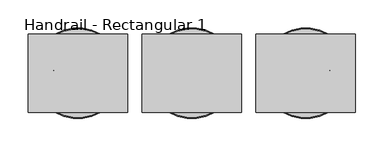
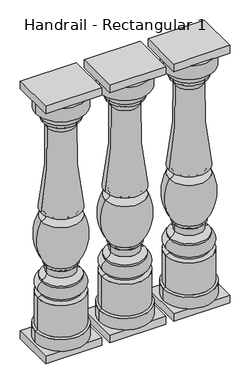
"""IFC4 building model written with IfcOpenShell, lengths in millimetres: railing geometry, Handrail - Rectangular 1."""

from ifc_helpers import new_model, si_unit, point, frame, origin, place, context, project, spatial, polyline, circle_curve, ellipse_curve, trimmed, outline, extrude, source, transform, mapped, element, save
from ifc_brep_helpers import plane_surface, cylinder_surface, revolved_surface, advanced_brep


def handrail_rectangular_1_4ff9a8f9(model_context):
    return source(origin(), model_context, "Body", "SolidModel", [
        advanced_brep(
        [(2920.3566037, 2142.9239298, 939.8), (2840.9816037, 2142.9239298, 939.8), (2999.7316037, 2142.9239298, 939.8), (3001.3191037, 2142.9239298, 127.0), (2839.3941037, 2142.9239298, 127.0), (2920.3566037, 2142.9239298, 127.0), (3001.3191037, 2142.9239298, 165.2785542), (2839.3941037, 2142.9239298, 165.2785542), (2994.1753537, 2142.9239298, 168.275), (2846.5378537, 2142.9239298, 168.275), (2994.1753537, 2142.9239298, 274.7335284), (2846.5378537, 2142.9239298, 274.7335284), (2981.4753537, 2142.9239298, 280.19375), (2859.2378537, 2142.9239298, 280.19375), (2981.4753537, 2142.9239298, 286.54375), (2859.2378537, 2142.9239298, 286.54375), (2981.4753537, 2142.9239298, 324.64375), (2859.2378537, 2142.9239298, 324.64375), (2981.4753537, 2142.9239298, 330.99375), (2859.2378537, 2142.9239298, 330.99375), (2965.7684576, 2142.9239298, 347.276159), (2874.9447498, 2142.9239298, 347.276159), (2965.7684576, 2142.9239298, 368.8906259), (2874.9447498, 2142.9239298, 368.8906259), (2970.3628537, 2142.9239298, 373.85625), (2870.3503537, 2142.9239298, 373.85625), (2970.3628537, 2142.9239298, 381.4842759), (2870.3503537, 2142.9239298, 381.4842759), (2983.0628537, 2142.9239298, 527.84375), (2857.6503537, 2142.9239298, 527.84375), (2983.0628537, 2142.9239298, 556.41875), (2857.6503537, 2142.9239298, 556.41875), (2964.5287519, 2142.9239298, 836.1713606), (2876.1844556, 2142.9239298, 836.1713606), (2977.5066037, 2142.9239298, 858.04375), (2863.2066037, 2142.9239298, 858.04375), (2977.5066037, 2142.9239298, 866.775), (2863.2066037, 2142.9239298, 866.775), (2988.6191037, 2142.9239298, 892.175), (2852.0941037, 2142.9239298, 892.175), (2999.7316037, 2142.9239298, 895.35), (2840.9816037, 2142.9239298, 895.35)],
        [
            (0, 1),
            (1, 2, circle_curve(frame((2920.3566037, 2142.9239298, 939.8), z_axis=(0.0, 0.0, 1.0), x_axis=(-1.0, 0.0, 0.0)), 79.375)),
            (2, 0),
            (2, 1, circle_curve(frame((2920.3566037, 2142.9239298, 939.8), z_axis=(0.0, 0.0, 1.0), x_axis=(-1.0, 0.0, 0.0)), 79.375)),
            (3, 4, circle_curve(frame((2920.3566037, 2142.9239298, 127.0), z_axis=(0.0, 0.0, -1.0), x_axis=(-1.0, 0.0, 0.0)), 80.9625)),
            (4, 5),
            (5, 3),
            (4, 3, circle_curve(frame((2920.3566037, 2142.9239298, 127.0), z_axis=(0.0, 0.0, -1.0), x_axis=(-1.0, 0.0, 0.0)), 80.9625)),
            (6, 7, circle_curve(frame((2920.3566037, 2142.9239298, 165.2785542), z_axis=(0.0, 0.0, -1.0), x_axis=(-1.0, 0.0, 0.0)), 80.9625)),
            (7, 4),
            (3, 6),
            (7, 6, circle_curve(frame((2920.3566037, 2142.9239298, 165.2785542), z_axis=(0.0, 0.0, -1.0), x_axis=(-1.0, 0.0, 0.0)), 80.9625)),
            (8, 9, circle_curve(frame((2920.3566037, 2142.9239298, 168.275), z_axis=(0.0, 0.0, -1.0), x_axis=(-1.0, 0.0, 0.0)), 73.81875)),
            (9, 7),
            (6, 8),
            (9, 8, circle_curve(frame((2920.3566037, 2142.9239298, 168.275), z_axis=(0.0, 0.0, -1.0), x_axis=(-1.0, 0.0, 0.0)), 73.81875)),
            (10, 11, circle_curve(frame((2920.3566037, 2142.9239298, 274.7335284), z_axis=(0.0, 0.0, -1.0), x_axis=(-1.0, 0.0, 0.0)), 73.81875)),
            (11, 9),
            (8, 10),
            (11, 10, circle_curve(frame((2920.3566037, 2142.9239298, 274.7335284), z_axis=(0.0, 0.0, -1.0), x_axis=(-1.0, 0.0, 0.0)), 73.81875)),
            (12, 13, circle_curve(frame((2920.3566037, 2142.9239298, 280.19375), z_axis=(0.0, 0.0, -1.0), x_axis=(-1.0, 0.0, 0.0)), 61.11875)),
            (13, 11),
            (10, 12),
            (13, 12, circle_curve(frame((2920.3566037, 2142.9239298, 280.19375), z_axis=(0.0, 0.0, -1.0), x_axis=(-1.0, 0.0, 0.0)), 61.11875)),
            (14, 15, circle_curve(frame((2920.3566037, 2142.9239298, 286.54375), z_axis=(0.0, 0.0, -1.0), x_axis=(-1.0, 0.0, 0.0)), 61.11875)),
            (15, 13),
            (12, 14),
            (15, 14, circle_curve(frame((2920.3566037, 2142.9239298, 286.54375), z_axis=(0.0, 0.0, -1.0), x_axis=(-1.0, 0.0, 0.0)), 61.11875)),
            (16, 17, circle_curve(frame((2920.3566037, 2142.9239298, 324.64375), z_axis=(0.0, 0.0, -1.0), x_axis=(-1.0, 0.0, 0.0)), 61.11875)),
            (17, 15, circle_curve(frame((2867.5031639, 2142.9239298, 305.59375), z_axis=(0.0, -1.0, 0.0), x_axis=(1.0, 0.0, 0.0)), 20.7657856)),
            (14, 16, circle_curve(frame((2973.2100435, 2142.9239298, 305.59375), z_axis=(0.0, -1.0, 0.0), x_axis=(-1.0, 0.0, 0.0)), 20.7657856)),
            (17, 16, circle_curve(frame((2920.3566037, 2142.9239298, 324.64375), z_axis=(0.0, 0.0, -1.0), x_axis=(-1.0, 0.0, 0.0)), 61.11875)),
            (18, 19, circle_curve(frame((2920.3566037, 2142.9239298, 330.99375), z_axis=(0.0, 0.0, -1.0), x_axis=(-1.0, 0.0, 0.0)), 61.11875)),
            (19, 17),
            (16, 18),
            (19, 18, circle_curve(frame((2920.3566037, 2142.9239298, 330.99375), z_axis=(0.0, 0.0, -1.0), x_axis=(-1.0, 0.0, 0.0)), 61.11875)),
            (20, 21, circle_curve(frame((2920.3566037, 2142.9239298, 347.276159), z_axis=(0.0, 0.0, -1.0), x_axis=(-1.0, 0.0, 0.0)), 45.4118539)),
            (21, 19, circle_curve(frame((2859.7048262, 2142.9239298, 346.26035), z_axis=(0.0, 1.0, 0.0), x_axis=(1.0, 0.0, 0.0)), 15.2737402)),
            (18, 20, circle_curve(frame((2981.0083812, 2142.9239298, 346.26035), z_axis=(0.0, 1.0, 0.0), x_axis=(-1.0, 0.0, 0.0)), 15.2737402)),
            (21, 20, circle_curve(frame((2920.3566037, 2142.9239298, 347.276159), z_axis=(0.0, 0.0, -1.0), x_axis=(-1.0, 0.0, 0.0)), 45.4118539)),
            (22, 23, circle_curve(frame((2920.3566037, 2142.9239298, 368.8906259), z_axis=(0.0, 0.0, -1.0), x_axis=(-1.0, 0.0, 0.0)), 45.4118539)),
            (23, 21),
            (20, 22),
            (23, 22, circle_curve(frame((2920.3566037, 2142.9239298, 368.8906259), z_axis=(0.0, 0.0, -1.0), x_axis=(-1.0, 0.0, 0.0)), 45.4118539)),
            (24, 25, circle_curve(frame((2920.3566037, 2142.9239298, 373.85625), z_axis=(0.0, 0.0, -1.0), x_axis=(-1.0, 0.0, 0.0)), 50.00625)),
            (25, 23, circle_curve(frame((2870.0985073, 2142.9239298, 369.014959), z_axis=(0.0, 1.0, 0.0), x_axis=(1.0, 0.0, 0.0)), 4.8478372)),
            (22, 24, circle_curve(frame((2970.6147002, 2142.9239298, 369.014959), z_axis=(0.0, 1.0, 0.0), x_axis=(-1.0, 0.0, 0.0)), 4.8478372)),
            (25, 24, circle_curve(frame((2920.3566037, 2142.9239298, 373.85625), z_axis=(0.0, 0.0, -1.0), x_axis=(-1.0, 0.0, 0.0)), 50.00625)),
            (26, 27, circle_curve(frame((2920.3566037, 2142.9239298, 381.4842759), z_axis=(0.0, 0.0, -1.0), x_axis=(-1.0, 0.0, 0.0)), 50.00625)),
            (27, 25),
            (24, 26),
            (27, 26, circle_curve(frame((2920.3566037, 2142.9239298, 381.4842759), z_axis=(0.0, 0.0, -1.0), x_axis=(-1.0, 0.0, 0.0)), 50.00625)),
            (28, 29, circle_curve(frame((2920.3566037, 2142.9239298, 527.84375), z_axis=(0.0, 0.0, -1.0), x_axis=(-1.0, 0.0, 0.0)), 62.70625)),
            (29, 27, circle_curve(frame((2987.9873348, 2142.9239298, 465.4226923), z_axis=(0.0, -1.0, 0.0), x_axis=(1.0, 0.0, 0.0)), 144.5133802)),
            (26, 28, circle_curve(frame((2852.7258727, 2142.9239298, 465.4226923), z_axis=(0.0, -1.0, 0.0), x_axis=(-1.0, 0.0, 0.0)), 144.5133802)),
            (29, 28, circle_curve(frame((2920.3566037, 2142.9239298, 527.84375), z_axis=(0.0, 0.0, -1.0), x_axis=(-1.0, 0.0, 0.0)), 62.70625)),
            (30, 31, circle_curve(frame((2920.3566037, 2142.9239298, 556.41875), z_axis=(0.0, 0.0, -1.0), x_axis=(-1.0, 0.0, 0.0)), 62.70625)),
            (31, 29, circle_curve(frame((2858.498477, 2142.9239298, 542.13125), z_axis=(0.0, 1.0, 0.0), x_axis=(1.0, 0.0, 0.0)), 14.3126507)),
            (28, 30, circle_curve(frame((2982.2147304, 2142.9239298, 542.13125), z_axis=(0.0, 1.0, 0.0), x_axis=(-1.0, 0.0, 0.0)), 14.3126507)),
            (31, 30, circle_curve(frame((2920.3566037, 2142.9239298, 556.41875), z_axis=(0.0, 0.0, -1.0), x_axis=(-1.0, 0.0, 0.0)), 62.70625)),
            (32, 33, circle_curve(frame((2920.3566037, 2142.9239298, 836.1713606), z_axis=(0.0, 0.0, -1.0), x_axis=(-1.0, 0.0, 0.0)), 44.1721482)),
            (33, 31, circle_curve(frame((1746.3651051, 2142.9239298, 770.5336134), z_axis=(0.0, 1.0, 0.0), x_axis=(1.0, 0.0, 0.0)), 1131.7243827)),
            (30, 32, circle_curve(frame((4094.3481023, 2142.9239298, 770.5336134), z_axis=(0.0, 1.0, 0.0), x_axis=(-1.0, 0.0, 0.0)), 1131.7243827)),
            (33, 32, circle_curve(frame((2920.3566037, 2142.9239298, 836.1713606), z_axis=(0.0, 0.0, -1.0), x_axis=(-1.0, 0.0, 0.0)), 44.1721482)),
            (34, 35, circle_curve(frame((2920.3566037, 2142.9239298, 858.04375), z_axis=(0.0, 0.0, -1.0), x_axis=(-1.0, 0.0, 0.0)), 57.15)),
            (35, 33, circle_curve(frame((2855.1621509, 2142.9239298, 838.4842616), z_axis=(0.0, 1.0, 0.0), x_axis=(1.0, 0.0, 0.0)), 21.1491562)),
            (32, 34, circle_curve(frame((2985.5510566, 2142.9239298, 838.4842616), z_axis=(0.0, 1.0, 0.0), x_axis=(-1.0, 0.0, 0.0)), 21.1491562)),
            (35, 34, circle_curve(frame((2920.3566037, 2142.9239298, 858.04375), z_axis=(0.0, 0.0, -1.0), x_axis=(-1.0, 0.0, 0.0)), 57.15)),
            (36, 37, circle_curve(frame((2920.3566037, 2142.9239298, 866.775), z_axis=(0.0, 0.0, -1.0), x_axis=(-1.0, 0.0, 0.0)), 57.15)),
            (37, 35),
            (34, 36),
            (37, 36, circle_curve(frame((2920.3566037, 2142.9239298, 866.775), z_axis=(0.0, 0.0, -1.0), x_axis=(-1.0, 0.0, 0.0)), 57.15)),
            (38, 39, circle_curve(frame((2920.3566037, 2142.9239298, 892.175), z_axis=(0.0, 0.0, -1.0), x_axis=(-1.0, 0.0, 0.0)), 68.2625)),
            (39, 37, circle_curve(frame((2881.4317085, 2142.9239298, 889.8793427), z_axis=(0.0, -1.0, 0.0), x_axis=(1.0, 0.0, 0.0)), 29.4272849)),
            (36, 38, circle_curve(frame((2959.2814989, 2142.9239298, 889.8793427), z_axis=(0.0, -1.0, 0.0), x_axis=(-1.0, 0.0, 0.0)), 29.4272849)),
            (39, 38, circle_curve(frame((2920.3566037, 2142.9239298, 892.175), z_axis=(0.0, 0.0, -1.0), x_axis=(-1.0, 0.0, 0.0)), 68.2625)),
            (40, 41, circle_curve(frame((2920.3566037, 2142.9239298, 895.35), z_axis=(0.0, 0.0, -1.0), x_axis=(-1.0, 0.0, 0.0)), 79.375)),
            (41, 39),
            (38, 40),
            (41, 40, circle_curve(frame((2920.3566037, 2142.9239298, 895.35), z_axis=(0.0, 0.0, -1.0), x_axis=(-1.0, 0.0, 0.0)), 79.375)),
            (1, 41),
            (40, 2),
        ],
        [
            plane_surface(frame((2920.3566037, 2142.9239298, 939.8), z_axis=(0.0, 0.0, 1.0), x_axis=(-1.0, 0.0, 0.0))),
            plane_surface(frame((2920.3566037, 2142.9239298, 127.0), z_axis=(0.0, 0.0, -1.0), x_axis=(-1.0, 0.0, 0.0))),
            cylinder_surface(frame((2920.3566037, 2142.9239298, 1009.65), z_axis=(0.0, 0.0, 1.0), x_axis=(-1.0, 0.0, 0.0)), 80.9625),
            revolved_surface(polyline([(2839.3941037, 2142.9239298, 165.2785542), (2846.5378537, 2142.9239298, 168.275)]), (2920.3566037, 2142.9239298, 1009.65), (0.0, 0.0, 1.0)),
            cylinder_surface(frame((2920.3566037, 2142.9239298, 1009.65), z_axis=(0.0, 0.0, 1.0), x_axis=(-1.0, 0.0, 0.0)), 73.81875),
            revolved_surface(polyline([(2846.5378537, 2142.9239298, 274.7335284), (2859.2378537, 2142.9239298, 280.19375)]), (2920.3566037, 2142.9239298, 1009.65), (0.0, 0.0, 1.0)),
            cylinder_surface(frame((2920.3566037, 2142.9239298, 1009.65), z_axis=(0.0, 0.0, 1.0), x_axis=(-1.0, 0.0, 0.0)), 61.11875),
            revolved_surface(trimmed(ellipse_curve(frame((2867.5031639, 2142.9239298, 305.59375), z_axis=(0.0, 1.0, 0.0), x_axis=(1.0, 0.0, 0.0)), 20.7657856, 20.7657856), [point((2859.2378537, 2142.9239298, 286.54375))], [point((2859.2378537, 2142.9239298, 324.64375))], True, "CARTESIAN"), (2920.3566037, 2142.9239298, 1009.65), (0.0, 0.0, 1.0)),
            revolved_surface(trimmed(ellipse_curve(frame((2859.7048262, 2142.9239298, 346.26035), z_axis=(0.0, -1.0, 0.0), x_axis=(1.0, 0.0, 0.0)), 15.2737402, 15.2737402), [point((2859.2378537, 2142.9239298, 330.99375))], [point((2874.9447498, 2142.9239298, 347.276159))], True, "CARTESIAN"), (2920.3566037, 2142.9239298, 1009.65), (0.0, 0.0, 1.0)),
            cylinder_surface(frame((2920.3566037, 2142.9239298, 1009.65), z_axis=(0.0, 0.0, 1.0), x_axis=(-1.0, 0.0, 0.0)), 45.4118539),
            revolved_surface(trimmed(ellipse_curve(frame((2870.0985073, 2142.9239298, 369.014959), z_axis=(0.0, -1.0, 0.0), x_axis=(1.0, 0.0, 0.0)), 4.8478372, 4.8478372), [point((2874.9447498, 2142.9239298, 368.8906259))], [point((2870.3503537, 2142.9239298, 373.85625))], True, "CARTESIAN"), (2920.3566037, 2142.9239298, 1009.65), (0.0, 0.0, 1.0)),
            cylinder_surface(frame((2920.3566037, 2142.9239298, 1009.65), z_axis=(0.0, 0.0, 1.0), x_axis=(-1.0, 0.0, 0.0)), 50.00625),
            revolved_surface(trimmed(ellipse_curve(frame((2987.9873348, 2142.9239298, 465.4226923), z_axis=(0.0, 1.0, 0.0), x_axis=(1.0, 0.0, 0.0)), 144.5133802, 144.5133802), [point((2870.3503537, 2142.9239298, 381.4842759))], [point((2857.6503537, 2142.9239298, 527.84375))], True, "CARTESIAN"), (2920.3566037, 2142.9239298, 1009.65), (0.0, 0.0, 1.0)),
            revolved_surface(trimmed(ellipse_curve(frame((2858.498477, 2142.9239298, 542.13125), z_axis=(0.0, -1.0, 0.0), x_axis=(1.0, 0.0, 0.0)), 14.3126507, 14.3126507), [point((2857.6503537, 2142.9239298, 527.84375))], [point((2857.6503537, 2142.9239298, 556.41875))], True, "CARTESIAN"), (2920.3566037, 2142.9239298, 1009.65), (0.0, 0.0, 1.0)),
            revolved_surface(trimmed(ellipse_curve(frame((1746.3651051, 2142.9239298, 770.5336134), z_axis=(0.0, -1.0, 0.0), x_axis=(1.0, 0.0, 0.0)), 1131.7243827, 1131.7243827), [point((2857.6503537, 2142.9239298, 556.41875))], [point((2876.1844556, 2142.9239298, 836.1713606))], True, "CARTESIAN"), (2920.3566037, 2142.9239298, 1009.65), (0.0, 0.0, 1.0)),
            revolved_surface(trimmed(ellipse_curve(frame((2855.1621509, 2142.9239298, 838.4842616), z_axis=(0.0, -1.0, 0.0), x_axis=(1.0, 0.0, 0.0)), 21.1491562, 21.1491562), [point((2876.1844556, 2142.9239298, 836.1713606))], [point((2863.2066037, 2142.9239298, 858.04375))], True, "CARTESIAN"), (2920.3566037, 2142.9239298, 1009.65), (0.0, 0.0, 1.0)),
            cylinder_surface(frame((2920.3566037, 2142.9239298, 1009.65), z_axis=(0.0, 0.0, 1.0), x_axis=(-1.0, 0.0, 0.0)), 57.15),
            revolved_surface(trimmed(ellipse_curve(frame((2881.4317085, 2142.9239298, 889.8793427), z_axis=(0.0, 1.0, 0.0), x_axis=(1.0, 0.0, 0.0)), 29.4272849, 29.4272849), [point((2863.2066037, 2142.9239298, 866.775))], [point((2852.0941037, 2142.9239298, 892.175))], True, "CARTESIAN"), (2920.3566037, 2142.9239298, 1009.65), (0.0, 0.0, 1.0)),
            revolved_surface(polyline([(2852.0941037, 2142.9239298, 892.175), (2840.9816037, 2142.9239298, 895.35)]), (2920.3566037, 2142.9239298, 1009.65), (0.0, 0.0, 1.0)),
            cylinder_surface(frame((2920.3566037, 2142.9239298, 1009.65), z_axis=(0.0, 0.0, 1.0), x_axis=(-1.0, 0.0, 0.0)), 79.375),
        ],
        [
            (0, [[1, 2, 3]]),
            (0, [[-3, 4, -1]]),
            (1, [[5, 6, 7]]),
            (1, [[8, -7, -6]]),
            (2, [[9, 10, -5, 11]]),
            (2, [[12, -11, -8, -10]]),
            (3, [[13, 14, -9, 15]]),
            (3, [[16, -15, -12, -14]]),
            (4, [[17, 18, -13, 19]]),
            (4, [[20, -19, -16, -18]]),
            (5, [[21, 22, -17, 23]]),
            (5, [[24, -23, -20, -22]]),
            (6, [[25, 26, -21, 27]]),
            (6, [[28, -27, -24, -26]]),
            (7, [[29, 30, -25, 31]]),
            (7, [[32, -31, -28, -30]]),
            (6, [[33, 34, -29, 35]]),
            (6, [[36, -35, -32, -34]]),
            (8, [[37, 38, -33, 39]]),
            (8, [[40, -39, -36, -38]]),
            (9, [[41, 42, -37, 43]]),
            (9, [[44, -43, -40, -42]]),
            (10, [[45, 46, -41, 47]]),
            (10, [[48, -47, -44, -46]]),
            (11, [[49, 50, -45, 51]]),
            (11, [[52, -51, -48, -50]]),
            (12, [[53, 54, -49, 55]]),
            (12, [[56, -55, -52, -54]]),
            (13, [[57, 58, -53, 59]]),
            (13, [[60, -59, -56, -58]]),
            (14, [[61, 62, -57, 63]]),
            (14, [[64, -63, -60, -62]]),
            (15, [[65, 66, -61, 67]]),
            (15, [[68, -67, -64, -66]]),
            (16, [[69, 70, -65, 71]]),
            (16, [[72, -71, -68, -70]]),
            (17, [[73, 74, -69, 75]]),
            (17, [[76, -75, -72, -74]]),
            (18, [[77, 78, -73, 79]]),
            (18, [[80, -79, -76, -78]]),
            (19, [[-2, 81, -77, 82]]),
            (19, [[-4, -82, -80, -81]]),
        ],
    ),
        extrude(outline(polyline([(2831.4566037, 2073.0739298), (2831.4566037, 2212.7739298), (3009.2566037, 2212.7739298), (3009.2566037, 2073.0739298), (2831.4566037, 2073.0739298)])), frame((0.0, 0.0, 101.6), z_axis=(0.0, 0.0, 1.0), x_axis=(1.0, 0.0, 0.0)), (0.0, 0.0, 1.0), 25.4),
        extrude(outline(polyline([(2831.4566037, 2212.7739298), (3009.2566037, 2212.7739298), (3009.2566037, 2073.0739298), (2831.4566037, 2073.0739298), (2831.4566037, 2212.7739298)])), frame((0.0, 0.0, 939.8), z_axis=(0.0, 0.0, 1.0), x_axis=(1.0, 0.0, 0.0)), (0.0, 0.0, 1.0), 25.4),
        advanced_brep(
        [(2717.1566037, 2142.9239298, 939.8), (2637.7816037, 2142.9239298, 939.8), (2796.5316037, 2142.9239298, 939.8), (2798.1191037, 2142.9239298, 127.0), (2636.1941037, 2142.9239298, 127.0), (2717.1566037, 2142.9239298, 127.0), (2798.1191037, 2142.9239298, 165.2785542), (2636.1941037, 2142.9239298, 165.2785542), (2790.9753537, 2142.9239298, 168.275), (2643.3378537, 2142.9239298, 168.275), (2790.9753537, 2142.9239298, 274.7335284), (2643.3378537, 2142.9239298, 274.7335284), (2778.2753537, 2142.9239298, 280.19375), (2656.0378537, 2142.9239298, 280.19375), (2778.2753537, 2142.9239298, 286.54375), (2656.0378537, 2142.9239298, 286.54375), (2778.2753537, 2142.9239298, 324.64375), (2656.0378537, 2142.9239298, 324.64375), (2778.2753537, 2142.9239298, 330.99375), (2656.0378537, 2142.9239298, 330.99375), (2762.5684576, 2142.9239298, 347.276159), (2671.7447498, 2142.9239298, 347.276159), (2762.5684576, 2142.9239298, 368.8906259), (2671.7447498, 2142.9239298, 368.8906259), (2767.1628537, 2142.9239298, 373.85625), (2667.1503537, 2142.9239298, 373.85625), (2767.1628537, 2142.9239298, 381.4842759), (2667.1503537, 2142.9239298, 381.4842759), (2779.8628537, 2142.9239298, 527.84375), (2654.4503537, 2142.9239298, 527.84375), (2779.8628537, 2142.9239298, 556.41875), (2654.4503537, 2142.9239298, 556.41875), (2761.3287519, 2142.9239298, 836.1713606), (2672.9844556, 2142.9239298, 836.1713606), (2774.3066037, 2142.9239298, 858.04375), (2660.0066037, 2142.9239298, 858.04375), (2774.3066037, 2142.9239298, 866.775), (2660.0066037, 2142.9239298, 866.775), (2785.4191037, 2142.9239298, 892.175), (2648.8941037, 2142.9239298, 892.175), (2796.5316037, 2142.9239298, 895.35), (2637.7816037, 2142.9239298, 895.35)],
        [
            (0, 1),
            (1, 2, circle_curve(frame((2717.1566037, 2142.9239298, 939.8), z_axis=(0.0, 0.0, 1.0), x_axis=(-1.0, 0.0, 0.0)), 79.375)),
            (2, 0),
            (2, 1, circle_curve(frame((2717.1566037, 2142.9239298, 939.8), z_axis=(0.0, 0.0, 1.0), x_axis=(-1.0, 0.0, 0.0)), 79.375)),
            (3, 4, circle_curve(frame((2717.1566037, 2142.9239298, 127.0), z_axis=(0.0, 0.0, -1.0), x_axis=(-1.0, 0.0, 0.0)), 80.9625)),
            (4, 5),
            (5, 3),
            (4, 3, circle_curve(frame((2717.1566037, 2142.9239298, 127.0), z_axis=(0.0, 0.0, -1.0), x_axis=(-1.0, 0.0, 0.0)), 80.9625)),
            (6, 7, circle_curve(frame((2717.1566037, 2142.9239298, 165.2785542), z_axis=(0.0, 0.0, -1.0), x_axis=(-1.0, 0.0, 0.0)), 80.9625)),
            (7, 4),
            (3, 6),
            (7, 6, circle_curve(frame((2717.1566037, 2142.9239298, 165.2785542), z_axis=(0.0, 0.0, -1.0), x_axis=(-1.0, 0.0, 0.0)), 80.9625)),
            (8, 9, circle_curve(frame((2717.1566037, 2142.9239298, 168.275), z_axis=(0.0, 0.0, -1.0), x_axis=(-1.0, 0.0, 0.0)), 73.81875)),
            (9, 7),
            (6, 8),
            (9, 8, circle_curve(frame((2717.1566037, 2142.9239298, 168.275), z_axis=(0.0, 0.0, -1.0), x_axis=(-1.0, 0.0, 0.0)), 73.81875)),
            (10, 11, circle_curve(frame((2717.1566037, 2142.9239298, 274.7335284), z_axis=(0.0, 0.0, -1.0), x_axis=(-1.0, 0.0, 0.0)), 73.81875)),
            (11, 9),
            (8, 10),
            (11, 10, circle_curve(frame((2717.1566037, 2142.9239298, 274.7335284), z_axis=(0.0, 0.0, -1.0), x_axis=(-1.0, 0.0, 0.0)), 73.81875)),
            (12, 13, circle_curve(frame((2717.1566037, 2142.9239298, 280.19375), z_axis=(0.0, 0.0, -1.0), x_axis=(-1.0, 0.0, 0.0)), 61.11875)),
            (13, 11),
            (10, 12),
            (13, 12, circle_curve(frame((2717.1566037, 2142.9239298, 280.19375), z_axis=(0.0, 0.0, -1.0), x_axis=(-1.0, 0.0, 0.0)), 61.11875)),
            (14, 15, circle_curve(frame((2717.1566037, 2142.9239298, 286.54375), z_axis=(0.0, 0.0, -1.0), x_axis=(-1.0, 0.0, 0.0)), 61.11875)),
            (15, 13),
            (12, 14),
            (15, 14, circle_curve(frame((2717.1566037, 2142.9239298, 286.54375), z_axis=(0.0, 0.0, -1.0), x_axis=(-1.0, 0.0, 0.0)), 61.11875)),
            (16, 17, circle_curve(frame((2717.1566037, 2142.9239298, 324.64375), z_axis=(0.0, 0.0, -1.0), x_axis=(-1.0, 0.0, 0.0)), 61.11875)),
            (17, 15, circle_curve(frame((2664.3031639, 2142.9239298, 305.59375), z_axis=(0.0, -1.0, 0.0), x_axis=(1.0, 0.0, 0.0)), 20.7657856)),
            (14, 16, circle_curve(frame((2770.0100435, 2142.9239298, 305.59375), z_axis=(0.0, -1.0, 0.0), x_axis=(-1.0, 0.0, 0.0)), 20.7657856)),
            (17, 16, circle_curve(frame((2717.1566037, 2142.9239298, 324.64375), z_axis=(0.0, 0.0, -1.0), x_axis=(-1.0, 0.0, 0.0)), 61.11875)),
            (18, 19, circle_curve(frame((2717.1566037, 2142.9239298, 330.99375), z_axis=(0.0, 0.0, -1.0), x_axis=(-1.0, 0.0, 0.0)), 61.11875)),
            (19, 17),
            (16, 18),
            (19, 18, circle_curve(frame((2717.1566037, 2142.9239298, 330.99375), z_axis=(0.0, 0.0, -1.0), x_axis=(-1.0, 0.0, 0.0)), 61.11875)),
            (20, 21, circle_curve(frame((2717.1566037, 2142.9239298, 347.276159), z_axis=(0.0, 0.0, -1.0), x_axis=(-1.0, 0.0, 0.0)), 45.4118539)),
            (21, 19, circle_curve(frame((2656.5048262, 2142.9239298, 346.26035), z_axis=(0.0, 1.0, 0.0), x_axis=(1.0, 0.0, 0.0)), 15.2737402)),
            (18, 20, circle_curve(frame((2777.8083812, 2142.9239298, 346.26035), z_axis=(0.0, 1.0, 0.0), x_axis=(-1.0, 0.0, 0.0)), 15.2737402)),
            (21, 20, circle_curve(frame((2717.1566037, 2142.9239298, 347.276159), z_axis=(0.0, 0.0, -1.0), x_axis=(-1.0, 0.0, 0.0)), 45.4118539)),
            (22, 23, circle_curve(frame((2717.1566037, 2142.9239298, 368.8906259), z_axis=(0.0, 0.0, -1.0), x_axis=(-1.0, 0.0, 0.0)), 45.4118539)),
            (23, 21),
            (20, 22),
            (23, 22, circle_curve(frame((2717.1566037, 2142.9239298, 368.8906259), z_axis=(0.0, 0.0, -1.0), x_axis=(-1.0, 0.0, 0.0)), 45.4118539)),
            (24, 25, circle_curve(frame((2717.1566037, 2142.9239298, 373.85625), z_axis=(0.0, 0.0, -1.0), x_axis=(-1.0, 0.0, 0.0)), 50.00625)),
            (25, 23, circle_curve(frame((2666.8985073, 2142.9239298, 369.014959), z_axis=(0.0, 1.0, 0.0), x_axis=(1.0, 0.0, 0.0)), 4.8478372)),
            (22, 24, circle_curve(frame((2767.4147002, 2142.9239298, 369.014959), z_axis=(0.0, 1.0, 0.0), x_axis=(-1.0, 0.0, 0.0)), 4.8478372)),
            (25, 24, circle_curve(frame((2717.1566037, 2142.9239298, 373.85625), z_axis=(0.0, 0.0, -1.0), x_axis=(-1.0, 0.0, 0.0)), 50.00625)),
            (26, 27, circle_curve(frame((2717.1566037, 2142.9239298, 381.4842759), z_axis=(0.0, 0.0, -1.0), x_axis=(-1.0, 0.0, 0.0)), 50.00625)),
            (27, 25),
            (24, 26),
            (27, 26, circle_curve(frame((2717.1566037, 2142.9239298, 381.4842759), z_axis=(0.0, 0.0, -1.0), x_axis=(-1.0, 0.0, 0.0)), 50.00625)),
            (28, 29, circle_curve(frame((2717.1566037, 2142.9239298, 527.84375), z_axis=(0.0, 0.0, -1.0), x_axis=(-1.0, 0.0, 0.0)), 62.70625)),
            (29, 27, circle_curve(frame((2784.7873348, 2142.9239298, 465.4226923), z_axis=(0.0, -1.0, 0.0), x_axis=(1.0, 0.0, 0.0)), 144.5133802)),
            (26, 28, circle_curve(frame((2649.5258727, 2142.9239298, 465.4226923), z_axis=(0.0, -1.0, 0.0), x_axis=(-1.0, 0.0, 0.0)), 144.5133802)),
            (29, 28, circle_curve(frame((2717.1566037, 2142.9239298, 527.84375), z_axis=(0.0, 0.0, -1.0), x_axis=(-1.0, 0.0, 0.0)), 62.70625)),
            (30, 31, circle_curve(frame((2717.1566037, 2142.9239298, 556.41875), z_axis=(0.0, 0.0, -1.0), x_axis=(-1.0, 0.0, 0.0)), 62.70625)),
            (31, 29, circle_curve(frame((2655.298477, 2142.9239298, 542.13125), z_axis=(0.0, 1.0, 0.0), x_axis=(1.0, 0.0, 0.0)), 14.3126507)),
            (28, 30, circle_curve(frame((2779.0147304, 2142.9239298, 542.13125), z_axis=(0.0, 1.0, 0.0), x_axis=(-1.0, 0.0, 0.0)), 14.3126507)),
            (31, 30, circle_curve(frame((2717.1566037, 2142.9239298, 556.41875), z_axis=(0.0, 0.0, -1.0), x_axis=(-1.0, 0.0, 0.0)), 62.70625)),
            (32, 33, circle_curve(frame((2717.1566037, 2142.9239298, 836.1713606), z_axis=(0.0, 0.0, -1.0), x_axis=(-1.0, 0.0, 0.0)), 44.1721482)),
            (33, 31, circle_curve(frame((1543.1651051, 2142.9239298, 770.5336134), z_axis=(0.0, 1.0, 0.0), x_axis=(1.0, 0.0, 0.0)), 1131.7243827)),
            (30, 32, circle_curve(frame((3891.1481023, 2142.9239298, 770.5336134), z_axis=(0.0, 1.0, 0.0), x_axis=(-1.0, 0.0, 0.0)), 1131.7243827)),
            (33, 32, circle_curve(frame((2717.1566037, 2142.9239298, 836.1713606), z_axis=(0.0, 0.0, -1.0), x_axis=(-1.0, 0.0, 0.0)), 44.1721482)),
            (34, 35, circle_curve(frame((2717.1566037, 2142.9239298, 858.04375), z_axis=(0.0, 0.0, -1.0), x_axis=(-1.0, 0.0, 0.0)), 57.15)),
            (35, 33, circle_curve(frame((2651.9621509, 2142.9239298, 838.4842616), z_axis=(0.0, 1.0, 0.0), x_axis=(1.0, 0.0, 0.0)), 21.1491562)),
            (32, 34, circle_curve(frame((2782.3510566, 2142.9239298, 838.4842616), z_axis=(0.0, 1.0, 0.0), x_axis=(-1.0, 0.0, 0.0)), 21.1491562)),
            (35, 34, circle_curve(frame((2717.1566037, 2142.9239298, 858.04375), z_axis=(0.0, 0.0, -1.0), x_axis=(-1.0, 0.0, 0.0)), 57.15)),
            (36, 37, circle_curve(frame((2717.1566037, 2142.9239298, 866.775), z_axis=(0.0, 0.0, -1.0), x_axis=(-1.0, 0.0, 0.0)), 57.15)),
            (37, 35),
            (34, 36),
            (37, 36, circle_curve(frame((2717.1566037, 2142.9239298, 866.775), z_axis=(0.0, 0.0, -1.0), x_axis=(-1.0, 0.0, 0.0)), 57.15)),
            (38, 39, circle_curve(frame((2717.1566037, 2142.9239298, 892.175), z_axis=(0.0, 0.0, -1.0), x_axis=(-1.0, 0.0, 0.0)), 68.2625)),
            (39, 37, circle_curve(frame((2678.2317085, 2142.9239298, 889.8793427), z_axis=(0.0, -1.0, 0.0), x_axis=(1.0, 0.0, 0.0)), 29.4272849)),
            (36, 38, circle_curve(frame((2756.0814989, 2142.9239298, 889.8793427), z_axis=(0.0, -1.0, 0.0), x_axis=(-1.0, 0.0, 0.0)), 29.4272849)),
            (39, 38, circle_curve(frame((2717.1566037, 2142.9239298, 892.175), z_axis=(0.0, 0.0, -1.0), x_axis=(-1.0, 0.0, 0.0)), 68.2625)),
            (40, 41, circle_curve(frame((2717.1566037, 2142.9239298, 895.35), z_axis=(0.0, 0.0, -1.0), x_axis=(-1.0, 0.0, 0.0)), 79.375)),
            (41, 39),
            (38, 40),
            (41, 40, circle_curve(frame((2717.1566037, 2142.9239298, 895.35), z_axis=(0.0, 0.0, -1.0), x_axis=(-1.0, 0.0, 0.0)), 79.375)),
            (1, 41),
            (40, 2),
        ],
        [
            plane_surface(frame((2717.1566037, 2142.9239298, 939.8), z_axis=(0.0, 0.0, 1.0), x_axis=(-1.0, 0.0, 0.0))),
            plane_surface(frame((2717.1566037, 2142.9239298, 127.0), z_axis=(0.0, 0.0, -1.0), x_axis=(-1.0, 0.0, 0.0))),
            cylinder_surface(frame((2717.1566037, 2142.9239298, 1009.65), z_axis=(0.0, 0.0, 1.0), x_axis=(-1.0, 0.0, 0.0)), 80.9625),
            revolved_surface(polyline([(2636.1941037, 2142.9239298, 165.2785542), (2643.3378537, 2142.9239298, 168.275)]), (2717.1566037, 2142.9239298, 1009.65), (0.0, 0.0, 1.0)),
            cylinder_surface(frame((2717.1566037, 2142.9239298, 1009.65), z_axis=(0.0, 0.0, 1.0), x_axis=(-1.0, 0.0, 0.0)), 73.81875),
            revolved_surface(polyline([(2643.3378537, 2142.9239298, 274.7335284), (2656.0378537, 2142.9239298, 280.19375)]), (2717.1566037, 2142.9239298, 1009.65), (0.0, 0.0, 1.0)),
            cylinder_surface(frame((2717.1566037, 2142.9239298, 1009.65), z_axis=(0.0, 0.0, 1.0), x_axis=(-1.0, 0.0, 0.0)), 61.11875),
            revolved_surface(trimmed(ellipse_curve(frame((2664.3031639, 2142.9239298, 305.59375), z_axis=(0.0, 1.0, 0.0), x_axis=(1.0, 0.0, 0.0)), 20.7657856, 20.7657856), [point((2656.0378537, 2142.9239298, 286.54375))], [point((2656.0378537, 2142.9239298, 324.64375))], True, "CARTESIAN"), (2717.1566037, 2142.9239298, 1009.65), (0.0, 0.0, 1.0)),
            revolved_surface(trimmed(ellipse_curve(frame((2656.5048262, 2142.9239298, 346.26035), z_axis=(0.0, -1.0, 0.0), x_axis=(1.0, 0.0, 0.0)), 15.2737402, 15.2737402), [point((2656.0378537, 2142.9239298, 330.99375))], [point((2671.7447498, 2142.9239298, 347.276159))], True, "CARTESIAN"), (2717.1566037, 2142.9239298, 1009.65), (0.0, 0.0, 1.0)),
            cylinder_surface(frame((2717.1566037, 2142.9239298, 1009.65), z_axis=(0.0, 0.0, 1.0), x_axis=(-1.0, 0.0, 0.0)), 45.4118539),
            revolved_surface(trimmed(ellipse_curve(frame((2666.8985073, 2142.9239298, 369.014959), z_axis=(0.0, -1.0, 0.0), x_axis=(1.0, 0.0, 0.0)), 4.8478372, 4.8478372), [point((2671.7447498, 2142.9239298, 368.8906259))], [point((2667.1503537, 2142.9239298, 373.85625))], True, "CARTESIAN"), (2717.1566037, 2142.9239298, 1009.65), (0.0, 0.0, 1.0)),
            cylinder_surface(frame((2717.1566037, 2142.9239298, 1009.65), z_axis=(0.0, 0.0, 1.0), x_axis=(-1.0, 0.0, 0.0)), 50.00625),
            revolved_surface(trimmed(ellipse_curve(frame((2784.7873348, 2142.9239298, 465.4226923), z_axis=(0.0, 1.0, 0.0), x_axis=(1.0, 0.0, 0.0)), 144.5133802, 144.5133802), [point((2667.1503537, 2142.9239298, 381.4842759))], [point((2654.4503537, 2142.9239298, 527.84375))], True, "CARTESIAN"), (2717.1566037, 2142.9239298, 1009.65), (0.0, 0.0, 1.0)),
            revolved_surface(trimmed(ellipse_curve(frame((2655.298477, 2142.9239298, 542.13125), z_axis=(0.0, -1.0, 0.0), x_axis=(1.0, 0.0, 0.0)), 14.3126507, 14.3126507), [point((2654.4503537, 2142.9239298, 527.84375))], [point((2654.4503537, 2142.9239298, 556.41875))], True, "CARTESIAN"), (2717.1566037, 2142.9239298, 1009.65), (0.0, 0.0, 1.0)),
            revolved_surface(trimmed(ellipse_curve(frame((1543.1651051, 2142.9239298, 770.5336134), z_axis=(0.0, -1.0, 0.0), x_axis=(1.0, 0.0, 0.0)), 1131.7243827, 1131.7243827), [point((2654.4503537, 2142.9239298, 556.41875))], [point((2672.9844556, 2142.9239298, 836.1713606))], True, "CARTESIAN"), (2717.1566037, 2142.9239298, 1009.65), (0.0, 0.0, 1.0)),
            revolved_surface(trimmed(ellipse_curve(frame((2651.9621509, 2142.9239298, 838.4842616), z_axis=(0.0, -1.0, 0.0), x_axis=(1.0, 0.0, 0.0)), 21.1491562, 21.1491562), [point((2672.9844556, 2142.9239298, 836.1713606))], [point((2660.0066037, 2142.9239298, 858.04375))], True, "CARTESIAN"), (2717.1566037, 2142.9239298, 1009.65), (0.0, 0.0, 1.0)),
            cylinder_surface(frame((2717.1566037, 2142.9239298, 1009.65), z_axis=(0.0, 0.0, 1.0), x_axis=(-1.0, 0.0, 0.0)), 57.15),
            revolved_surface(trimmed(ellipse_curve(frame((2678.2317085, 2142.9239298, 889.8793427), z_axis=(0.0, 1.0, 0.0), x_axis=(1.0, 0.0, 0.0)), 29.4272849, 29.4272849), [point((2660.0066037, 2142.9239298, 866.775))], [point((2648.8941037, 2142.9239298, 892.175))], True, "CARTESIAN"), (2717.1566037, 2142.9239298, 1009.65), (0.0, 0.0, 1.0)),
            revolved_surface(polyline([(2648.8941037, 2142.9239298, 892.175), (2637.7816037, 2142.9239298, 895.35)]), (2717.1566037, 2142.9239298, 1009.65), (0.0, 0.0, 1.0)),
            cylinder_surface(frame((2717.1566037, 2142.9239298, 1009.65), z_axis=(0.0, 0.0, 1.0), x_axis=(-1.0, 0.0, 0.0)), 79.375),
        ],
        [
            (0, [[1, 2, 3]]),
            (0, [[-3, 4, -1]]),
            (1, [[5, 6, 7]]),
            (1, [[8, -7, -6]]),
            (2, [[9, 10, -5, 11]]),
            (2, [[12, -11, -8, -10]]),
            (3, [[13, 14, -9, 15]]),
            (3, [[16, -15, -12, -14]]),
            (4, [[17, 18, -13, 19]]),
            (4, [[20, -19, -16, -18]]),
            (5, [[21, 22, -17, 23]]),
            (5, [[24, -23, -20, -22]]),
            (6, [[25, 26, -21, 27]]),
            (6, [[28, -27, -24, -26]]),
            (7, [[29, 30, -25, 31]]),
            (7, [[32, -31, -28, -30]]),
            (6, [[33, 34, -29, 35]]),
            (6, [[36, -35, -32, -34]]),
            (8, [[37, 38, -33, 39]]),
            (8, [[40, -39, -36, -38]]),
            (9, [[41, 42, -37, 43]]),
            (9, [[44, -43, -40, -42]]),
            (10, [[45, 46, -41, 47]]),
            (10, [[48, -47, -44, -46]]),
            (11, [[49, 50, -45, 51]]),
            (11, [[52, -51, -48, -50]]),
            (12, [[53, 54, -49, 55]]),
            (12, [[56, -55, -52, -54]]),
            (13, [[57, 58, -53, 59]]),
            (13, [[60, -59, -56, -58]]),
            (14, [[61, 62, -57, 63]]),
            (14, [[64, -63, -60, -62]]),
            (15, [[65, 66, -61, 67]]),
            (15, [[68, -67, -64, -66]]),
            (16, [[69, 70, -65, 71]]),
            (16, [[72, -71, -68, -70]]),
            (17, [[73, 74, -69, 75]]),
            (17, [[76, -75, -72, -74]]),
            (18, [[77, 78, -73, 79]]),
            (18, [[80, -79, -76, -78]]),
            (19, [[-2, 81, -77, 82]]),
            (19, [[-4, -82, -80, -81]]),
        ],
    ),
        extrude(outline(polyline([(2628.2566037, 2073.0739298), (2628.2566037, 2212.7739298), (2806.0566037, 2212.7739298), (2806.0566037, 2073.0739298), (2628.2566037, 2073.0739298)])), frame((0.0, 0.0, 101.6), z_axis=(0.0, 0.0, 1.0), x_axis=(1.0, 0.0, 0.0)), (0.0, 0.0, 1.0), 25.4),
        extrude(outline(polyline([(2628.2566037, 2212.7739298), (2806.0566037, 2212.7739298), (2806.0566037, 2073.0739298), (2628.2566037, 2073.0739298), (2628.2566037, 2212.7739298)])), frame((0.0, 0.0, 939.8), z_axis=(0.0, 0.0, 1.0), x_axis=(1.0, 0.0, 0.0)), (0.0, 0.0, 1.0), 25.4),
        advanced_brep(
        [(2513.9566037, 2142.9239298, 939.8), (2434.5816037, 2142.9239298, 939.8), (2593.3316037, 2142.9239298, 939.8), (2594.9191037, 2142.9239298, 127.0), (2432.9941037, 2142.9239298, 127.0), (2513.9566037, 2142.9239298, 127.0), (2594.9191037, 2142.9239298, 165.2785542), (2432.9941037, 2142.9239298, 165.2785542), (2587.7753537, 2142.9239298, 168.275), (2440.1378537, 2142.9239298, 168.275), (2587.7753537, 2142.9239298, 274.7335284), (2440.1378537, 2142.9239298, 274.7335284), (2575.0753537, 2142.9239298, 280.19375), (2452.8378537, 2142.9239298, 280.19375), (2575.0753537, 2142.9239298, 286.54375), (2452.8378537, 2142.9239298, 286.54375), (2575.0753537, 2142.9239298, 324.64375), (2452.8378537, 2142.9239298, 324.64375), (2575.0753537, 2142.9239298, 330.99375), (2452.8378537, 2142.9239298, 330.99375), (2559.3684576, 2142.9239298, 347.276159), (2468.5447498, 2142.9239298, 347.276159), (2559.3684576, 2142.9239298, 368.8906259), (2468.5447498, 2142.9239298, 368.8906259), (2563.9628537, 2142.9239298, 373.85625), (2463.9503537, 2142.9239298, 373.85625), (2563.9628537, 2142.9239298, 381.4842759), (2463.9503537, 2142.9239298, 381.4842759), (2576.6628537, 2142.9239298, 527.84375), (2451.2503537, 2142.9239298, 527.84375), (2576.6628537, 2142.9239298, 556.41875), (2451.2503537, 2142.9239298, 556.41875), (2558.1287519, 2142.9239298, 836.1713606), (2469.7844556, 2142.9239298, 836.1713606), (2571.1066037, 2142.9239298, 858.04375), (2456.8066037, 2142.9239298, 858.04375), (2571.1066037, 2142.9239298, 866.775), (2456.8066037, 2142.9239298, 866.775), (2582.2191037, 2142.9239298, 892.175), (2445.6941037, 2142.9239298, 892.175), (2593.3316037, 2142.9239298, 895.35), (2434.5816037, 2142.9239298, 895.35)],
        [
            (0, 1),
            (1, 2, circle_curve(frame((2513.9566037, 2142.9239298, 939.8), z_axis=(0.0, 0.0, 1.0), x_axis=(-1.0, 0.0, 0.0)), 79.375)),
            (2, 0),
            (2, 1, circle_curve(frame((2513.9566037, 2142.9239298, 939.8), z_axis=(0.0, 0.0, 1.0), x_axis=(-1.0, 0.0, 0.0)), 79.375)),
            (3, 4, circle_curve(frame((2513.9566037, 2142.9239298, 127.0), z_axis=(0.0, 0.0, -1.0), x_axis=(-1.0, 0.0, 0.0)), 80.9625)),
            (4, 5),
            (5, 3),
            (4, 3, circle_curve(frame((2513.9566037, 2142.9239298, 127.0), z_axis=(0.0, 0.0, -1.0), x_axis=(-1.0, 0.0, 0.0)), 80.9625)),
            (6, 7, circle_curve(frame((2513.9566037, 2142.9239298, 165.2785542), z_axis=(0.0, 0.0, -1.0), x_axis=(-1.0, 0.0, 0.0)), 80.9625)),
            (7, 4),
            (3, 6),
            (7, 6, circle_curve(frame((2513.9566037, 2142.9239298, 165.2785542), z_axis=(0.0, 0.0, -1.0), x_axis=(-1.0, 0.0, 0.0)), 80.9625)),
            (8, 9, circle_curve(frame((2513.9566037, 2142.9239298, 168.275), z_axis=(0.0, 0.0, -1.0), x_axis=(-1.0, 0.0, 0.0)), 73.81875)),
            (9, 7),
            (6, 8),
            (9, 8, circle_curve(frame((2513.9566037, 2142.9239298, 168.275), z_axis=(0.0, 0.0, -1.0), x_axis=(-1.0, 0.0, 0.0)), 73.81875)),
            (10, 11, circle_curve(frame((2513.9566037, 2142.9239298, 274.7335284), z_axis=(0.0, 0.0, -1.0), x_axis=(-1.0, 0.0, 0.0)), 73.81875)),
            (11, 9),
            (8, 10),
            (11, 10, circle_curve(frame((2513.9566037, 2142.9239298, 274.7335284), z_axis=(0.0, 0.0, -1.0), x_axis=(-1.0, 0.0, 0.0)), 73.81875)),
            (12, 13, circle_curve(frame((2513.9566037, 2142.9239298, 280.19375), z_axis=(0.0, 0.0, -1.0), x_axis=(-1.0, 0.0, 0.0)), 61.11875)),
            (13, 11),
            (10, 12),
            (13, 12, circle_curve(frame((2513.9566037, 2142.9239298, 280.19375), z_axis=(0.0, 0.0, -1.0), x_axis=(-1.0, 0.0, 0.0)), 61.11875)),
            (14, 15, circle_curve(frame((2513.9566037, 2142.9239298, 286.54375), z_axis=(0.0, 0.0, -1.0), x_axis=(-1.0, 0.0, 0.0)), 61.11875)),
            (15, 13),
            (12, 14),
            (15, 14, circle_curve(frame((2513.9566037, 2142.9239298, 286.54375), z_axis=(0.0, 0.0, -1.0), x_axis=(-1.0, 0.0, 0.0)), 61.11875)),
            (16, 17, circle_curve(frame((2513.9566037, 2142.9239298, 324.64375), z_axis=(0.0, 0.0, -1.0), x_axis=(-1.0, 0.0, 0.0)), 61.11875)),
            (17, 15, circle_curve(frame((2461.1031639, 2142.9239298, 305.59375), z_axis=(0.0, -1.0, 0.0), x_axis=(1.0, 0.0, 0.0)), 20.7657856)),
            (14, 16, circle_curve(frame((2566.8100435, 2142.9239298, 305.59375), z_axis=(0.0, -1.0, 0.0), x_axis=(-1.0, 0.0, 0.0)), 20.7657856)),
            (17, 16, circle_curve(frame((2513.9566037, 2142.9239298, 324.64375), z_axis=(0.0, 0.0, -1.0), x_axis=(-1.0, 0.0, 0.0)), 61.11875)),
            (18, 19, circle_curve(frame((2513.9566037, 2142.9239298, 330.99375), z_axis=(0.0, 0.0, -1.0), x_axis=(-1.0, 0.0, 0.0)), 61.11875)),
            (19, 17),
            (16, 18),
            (19, 18, circle_curve(frame((2513.9566037, 2142.9239298, 330.99375), z_axis=(0.0, 0.0, -1.0), x_axis=(-1.0, 0.0, 0.0)), 61.11875)),
            (20, 21, circle_curve(frame((2513.9566037, 2142.9239298, 347.276159), z_axis=(0.0, 0.0, -1.0), x_axis=(-1.0, 0.0, 0.0)), 45.4118539)),
            (21, 19, circle_curve(frame((2453.3048262, 2142.9239298, 346.26035), z_axis=(0.0, 1.0, 0.0), x_axis=(1.0, 0.0, 0.0)), 15.2737402)),
            (18, 20, circle_curve(frame((2574.6083812, 2142.9239298, 346.26035), z_axis=(0.0, 1.0, 0.0), x_axis=(-1.0, 0.0, 0.0)), 15.2737402)),
            (21, 20, circle_curve(frame((2513.9566037, 2142.9239298, 347.276159), z_axis=(0.0, 0.0, -1.0), x_axis=(-1.0, 0.0, 0.0)), 45.4118539)),
            (22, 23, circle_curve(frame((2513.9566037, 2142.9239298, 368.8906259), z_axis=(0.0, 0.0, -1.0), x_axis=(-1.0, 0.0, 0.0)), 45.4118539)),
            (23, 21),
            (20, 22),
            (23, 22, circle_curve(frame((2513.9566037, 2142.9239298, 368.8906259), z_axis=(0.0, 0.0, -1.0), x_axis=(-1.0, 0.0, 0.0)), 45.4118539)),
            (24, 25, circle_curve(frame((2513.9566037, 2142.9239298, 373.85625), z_axis=(0.0, 0.0, -1.0), x_axis=(-1.0, 0.0, 0.0)), 50.00625)),
            (25, 23, circle_curve(frame((2463.6985073, 2142.9239298, 369.014959), z_axis=(0.0, 1.0, 0.0), x_axis=(1.0, 0.0, 0.0)), 4.8478372)),
            (22, 24, circle_curve(frame((2564.2147002, 2142.9239298, 369.014959), z_axis=(0.0, 1.0, 0.0), x_axis=(-1.0, 0.0, 0.0)), 4.8478372)),
            (25, 24, circle_curve(frame((2513.9566037, 2142.9239298, 373.85625), z_axis=(0.0, 0.0, -1.0), x_axis=(-1.0, 0.0, 0.0)), 50.00625)),
            (26, 27, circle_curve(frame((2513.9566037, 2142.9239298, 381.4842759), z_axis=(0.0, 0.0, -1.0), x_axis=(-1.0, 0.0, 0.0)), 50.00625)),
            (27, 25),
            (24, 26),
            (27, 26, circle_curve(frame((2513.9566037, 2142.9239298, 381.4842759), z_axis=(0.0, 0.0, -1.0), x_axis=(-1.0, 0.0, 0.0)), 50.00625)),
            (28, 29, circle_curve(frame((2513.9566037, 2142.9239298, 527.84375), z_axis=(0.0, 0.0, -1.0), x_axis=(-1.0, 0.0, 0.0)), 62.70625)),
            (29, 27, circle_curve(frame((2581.5873348, 2142.9239298, 465.4226923), z_axis=(0.0, -1.0, 0.0), x_axis=(1.0, 0.0, 0.0)), 144.5133802)),
            (26, 28, circle_curve(frame((2446.3258727, 2142.9239298, 465.4226923), z_axis=(0.0, -1.0, 0.0), x_axis=(-1.0, 0.0, 0.0)), 144.5133802)),
            (29, 28, circle_curve(frame((2513.9566037, 2142.9239298, 527.84375), z_axis=(0.0, 0.0, -1.0), x_axis=(-1.0, 0.0, 0.0)), 62.70625)),
            (30, 31, circle_curve(frame((2513.9566037, 2142.9239298, 556.41875), z_axis=(0.0, 0.0, -1.0), x_axis=(-1.0, 0.0, 0.0)), 62.70625)),
            (31, 29, circle_curve(frame((2452.098477, 2142.9239298, 542.13125), z_axis=(0.0, 1.0, 0.0), x_axis=(1.0, 0.0, 0.0)), 14.3126507)),
            (28, 30, circle_curve(frame((2575.8147304, 2142.9239298, 542.13125), z_axis=(0.0, 1.0, 0.0), x_axis=(-1.0, 0.0, 0.0)), 14.3126507)),
            (31, 30, circle_curve(frame((2513.9566037, 2142.9239298, 556.41875), z_axis=(0.0, 0.0, -1.0), x_axis=(-1.0, 0.0, 0.0)), 62.70625)),
            (32, 33, circle_curve(frame((2513.9566037, 2142.9239298, 836.1713606), z_axis=(0.0, 0.0, -1.0), x_axis=(-1.0, 0.0, 0.0)), 44.1721482)),
            (33, 31, circle_curve(frame((1339.9651051, 2142.9239298, 770.5336134), z_axis=(0.0, 1.0, 0.0), x_axis=(1.0, 0.0, 0.0)), 1131.7243827)),
            (30, 32, circle_curve(frame((3687.9481023, 2142.9239298, 770.5336134), z_axis=(0.0, 1.0, 0.0), x_axis=(-1.0, 0.0, 0.0)), 1131.7243827)),
            (33, 32, circle_curve(frame((2513.9566037, 2142.9239298, 836.1713606), z_axis=(0.0, 0.0, -1.0), x_axis=(-1.0, 0.0, 0.0)), 44.1721482)),
            (34, 35, circle_curve(frame((2513.9566037, 2142.9239298, 858.04375), z_axis=(0.0, 0.0, -1.0), x_axis=(-1.0, 0.0, 0.0)), 57.15)),
            (35, 33, circle_curve(frame((2448.7621509, 2142.9239298, 838.4842616), z_axis=(0.0, 1.0, 0.0), x_axis=(1.0, 0.0, 0.0)), 21.1491562)),
            (32, 34, circle_curve(frame((2579.1510566, 2142.9239298, 838.4842616), z_axis=(0.0, 1.0, 0.0), x_axis=(-1.0, 0.0, 0.0)), 21.1491562)),
            (35, 34, circle_curve(frame((2513.9566037, 2142.9239298, 858.04375), z_axis=(0.0, 0.0, -1.0), x_axis=(-1.0, 0.0, 0.0)), 57.15)),
            (36, 37, circle_curve(frame((2513.9566037, 2142.9239298, 866.775), z_axis=(0.0, 0.0, -1.0), x_axis=(-1.0, 0.0, 0.0)), 57.15)),
            (37, 35),
            (34, 36),
            (37, 36, circle_curve(frame((2513.9566037, 2142.9239298, 866.775), z_axis=(0.0, 0.0, -1.0), x_axis=(-1.0, 0.0, 0.0)), 57.15)),
            (38, 39, circle_curve(frame((2513.9566037, 2142.9239298, 892.175), z_axis=(0.0, 0.0, -1.0), x_axis=(-1.0, 0.0, 0.0)), 68.2625)),
            (39, 37, circle_curve(frame((2475.0317085, 2142.9239298, 889.8793427), z_axis=(0.0, -1.0, 0.0), x_axis=(1.0, 0.0, 0.0)), 29.4272849)),
            (36, 38, circle_curve(frame((2552.8814989, 2142.9239298, 889.8793427), z_axis=(0.0, -1.0, 0.0), x_axis=(-1.0, 0.0, 0.0)), 29.4272849)),
            (39, 38, circle_curve(frame((2513.9566037, 2142.9239298, 892.175), z_axis=(0.0, 0.0, -1.0), x_axis=(-1.0, 0.0, 0.0)), 68.2625)),
            (40, 41, circle_curve(frame((2513.9566037, 2142.9239298, 895.35), z_axis=(0.0, 0.0, -1.0), x_axis=(-1.0, 0.0, 0.0)), 79.375)),
            (41, 39),
            (38, 40),
            (41, 40, circle_curve(frame((2513.9566037, 2142.9239298, 895.35), z_axis=(0.0, 0.0, -1.0), x_axis=(-1.0, 0.0, 0.0)), 79.375)),
            (1, 41),
            (40, 2),
        ],
        [
            plane_surface(frame((2513.9566037, 2142.9239298, 939.8), z_axis=(0.0, 0.0, 1.0), x_axis=(-1.0, 0.0, 0.0))),
            plane_surface(frame((2513.9566037, 2142.9239298, 127.0), z_axis=(0.0, 0.0, -1.0), x_axis=(-1.0, 0.0, 0.0))),
            cylinder_surface(frame((2513.9566037, 2142.9239298, 1009.65), z_axis=(0.0, 0.0, 1.0), x_axis=(-1.0, 0.0, 0.0)), 80.9625),
            revolved_surface(polyline([(2432.9941037, 2142.9239298, 165.2785542), (2440.1378537, 2142.9239298, 168.275)]), (2513.9566037, 2142.9239298, 1009.65), (0.0, 0.0, 1.0)),
            cylinder_surface(frame((2513.9566037, 2142.9239298, 1009.65), z_axis=(0.0, 0.0, 1.0), x_axis=(-1.0, 0.0, 0.0)), 73.81875),
            revolved_surface(polyline([(2440.1378537, 2142.9239298, 274.7335284), (2452.8378537, 2142.9239298, 280.19375)]), (2513.9566037, 2142.9239298, 1009.65), (0.0, 0.0, 1.0)),
            cylinder_surface(frame((2513.9566037, 2142.9239298, 1009.65), z_axis=(0.0, 0.0, 1.0), x_axis=(-1.0, 0.0, 0.0)), 61.11875),
            revolved_surface(trimmed(ellipse_curve(frame((2461.1031639, 2142.9239298, 305.59375), z_axis=(0.0, 1.0, 0.0), x_axis=(1.0, 0.0, 0.0)), 20.7657856, 20.7657856), [point((2452.8378537, 2142.9239298, 286.54375))], [point((2452.8378537, 2142.9239298, 324.64375))], True, "CARTESIAN"), (2513.9566037, 2142.9239298, 1009.65), (0.0, 0.0, 1.0)),
            revolved_surface(trimmed(ellipse_curve(frame((2453.3048262, 2142.9239298, 346.26035), z_axis=(0.0, -1.0, 0.0), x_axis=(1.0, 0.0, 0.0)), 15.2737402, 15.2737402), [point((2452.8378537, 2142.9239298, 330.99375))], [point((2468.5447498, 2142.9239298, 347.276159))], True, "CARTESIAN"), (2513.9566037, 2142.9239298, 1009.65), (0.0, 0.0, 1.0)),
            cylinder_surface(frame((2513.9566037, 2142.9239298, 1009.65), z_axis=(0.0, 0.0, 1.0), x_axis=(-1.0, 0.0, 0.0)), 45.4118539),
            revolved_surface(trimmed(ellipse_curve(frame((2463.6985073, 2142.9239298, 369.014959), z_axis=(0.0, -1.0, 0.0), x_axis=(1.0, 0.0, 0.0)), 4.8478372, 4.8478372), [point((2468.5447498, 2142.9239298, 368.8906259))], [point((2463.9503537, 2142.9239298, 373.85625))], True, "CARTESIAN"), (2513.9566037, 2142.9239298, 1009.65), (0.0, 0.0, 1.0)),
            cylinder_surface(frame((2513.9566037, 2142.9239298, 1009.65), z_axis=(0.0, 0.0, 1.0), x_axis=(-1.0, 0.0, 0.0)), 50.00625),
            revolved_surface(trimmed(ellipse_curve(frame((2581.5873348, 2142.9239298, 465.4226923), z_axis=(0.0, 1.0, 0.0), x_axis=(1.0, 0.0, 0.0)), 144.5133802, 144.5133802), [point((2463.9503537, 2142.9239298, 381.4842759))], [point((2451.2503537, 2142.9239298, 527.84375))], True, "CARTESIAN"), (2513.9566037, 2142.9239298, 1009.65), (0.0, 0.0, 1.0)),
            revolved_surface(trimmed(ellipse_curve(frame((2452.098477, 2142.9239298, 542.13125), z_axis=(0.0, -1.0, 0.0), x_axis=(1.0, 0.0, 0.0)), 14.3126507, 14.3126507), [point((2451.2503537, 2142.9239298, 527.84375))], [point((2451.2503537, 2142.9239298, 556.41875))], True, "CARTESIAN"), (2513.9566037, 2142.9239298, 1009.65), (0.0, 0.0, 1.0)),
            revolved_surface(trimmed(ellipse_curve(frame((1339.9651051, 2142.9239298, 770.5336134), z_axis=(0.0, -1.0, 0.0), x_axis=(1.0, 0.0, 0.0)), 1131.7243827, 1131.7243827), [point((2451.2503537, 2142.9239298, 556.41875))], [point((2469.7844556, 2142.9239298, 836.1713606))], True, "CARTESIAN"), (2513.9566037, 2142.9239298, 1009.65), (0.0, 0.0, 1.0)),
            revolved_surface(trimmed(ellipse_curve(frame((2448.7621509, 2142.9239298, 838.4842616), z_axis=(0.0, -1.0, 0.0), x_axis=(1.0, 0.0, 0.0)), 21.1491562, 21.1491562), [point((2469.7844556, 2142.9239298, 836.1713606))], [point((2456.8066037, 2142.9239298, 858.04375))], True, "CARTESIAN"), (2513.9566037, 2142.9239298, 1009.65), (0.0, 0.0, 1.0)),
            cylinder_surface(frame((2513.9566037, 2142.9239298, 1009.65), z_axis=(0.0, 0.0, 1.0), x_axis=(-1.0, 0.0, 0.0)), 57.15),
            revolved_surface(trimmed(ellipse_curve(frame((2475.0317085, 2142.9239298, 889.8793427), z_axis=(0.0, 1.0, 0.0), x_axis=(1.0, 0.0, 0.0)), 29.4272849, 29.4272849), [point((2456.8066037, 2142.9239298, 866.775))], [point((2445.6941037, 2142.9239298, 892.175))], True, "CARTESIAN"), (2513.9566037, 2142.9239298, 1009.65), (0.0, 0.0, 1.0)),
            revolved_surface(polyline([(2445.6941037, 2142.9239298, 892.175), (2434.5816037, 2142.9239298, 895.35)]), (2513.9566037, 2142.9239298, 1009.65), (0.0, 0.0, 1.0)),
            cylinder_surface(frame((2513.9566037, 2142.9239298, 1009.65), z_axis=(0.0, 0.0, 1.0), x_axis=(-1.0, 0.0, 0.0)), 79.375),
        ],
        [
            (0, [[1, 2, 3]]),
            (0, [[-3, 4, -1]]),
            (1, [[5, 6, 7]]),
            (1, [[8, -7, -6]]),
            (2, [[9, 10, -5, 11]]),
            (2, [[12, -11, -8, -10]]),
            (3, [[13, 14, -9, 15]]),
            (3, [[16, -15, -12, -14]]),
            (4, [[17, 18, -13, 19]]),
            (4, [[20, -19, -16, -18]]),
            (5, [[21, 22, -17, 23]]),
            (5, [[24, -23, -20, -22]]),
            (6, [[25, 26, -21, 27]]),
            (6, [[28, -27, -24, -26]]),
            (7, [[29, 30, -25, 31]]),
            (7, [[32, -31, -28, -30]]),
            (6, [[33, 34, -29, 35]]),
            (6, [[36, -35, -32, -34]]),
            (8, [[37, 38, -33, 39]]),
            (8, [[40, -39, -36, -38]]),
            (9, [[41, 42, -37, 43]]),
            (9, [[44, -43, -40, -42]]),
            (10, [[45, 46, -41, 47]]),
            (10, [[48, -47, -44, -46]]),
            (11, [[49, 50, -45, 51]]),
            (11, [[52, -51, -48, -50]]),
            (12, [[53, 54, -49, 55]]),
            (12, [[56, -55, -52, -54]]),
            (13, [[57, 58, -53, 59]]),
            (13, [[60, -59, -56, -58]]),
            (14, [[61, 62, -57, 63]]),
            (14, [[64, -63, -60, -62]]),
            (15, [[65, 66, -61, 67]]),
            (15, [[68, -67, -64, -66]]),
            (16, [[69, 70, -65, 71]]),
            (16, [[72, -71, -68, -70]]),
            (17, [[73, 74, -69, 75]]),
            (17, [[76, -75, -72, -74]]),
            (18, [[77, 78, -73, 79]]),
            (18, [[80, -79, -76, -78]]),
            (19, [[-2, 81, -77, 82]]),
            (19, [[-4, -82, -80, -81]]),
        ],
    ),
        extrude(outline(polyline([(2425.0566037, 2073.0739298), (2425.0566037, 2212.7739298), (2602.8566037, 2212.7739298), (2602.8566037, 2073.0739298), (2425.0566037, 2073.0739298)])), frame((0.0, 0.0, 101.6), z_axis=(0.0, 0.0, 1.0), x_axis=(1.0, 0.0, 0.0)), (0.0, 0.0, 1.0), 25.4),
        extrude(outline(polyline([(2425.0566037, 2212.7739298), (2602.8566037, 2212.7739298), (2602.8566037, 2073.0739298), (2425.0566037, 2073.0739298), (2425.0566037, 2212.7739298)])), frame((0.0, 0.0, 939.8), z_axis=(0.0, 0.0, 1.0), x_axis=(1.0, 0.0, 0.0)), (0.0, 0.0, 1.0), 25.4),
    ])


if __name__ == "__main__":
    model = new_model("IFC4")
    model_context = context("Model", 3, world=origin())
    ifc_project = project(units=[si_unit("LENGTHUNIT", "METRE", prefix="MILLI")], contexts=[model_context])
    site = spatial("IfcSite", under=ifc_project)
    building = spatial("IfcBuilding", under=site)
    placement = place(None, origin())
    handrail_rectangular_1_shape = handrail_rectangular_1_4ff9a8f9(model_context)
    element("IfcRailing", 1, ObjectType="Handrail - Rectangular 1", at=placement, inside=building, context=model_context, shape_type="MappedRepresentation", body=[
        mapped(handrail_rectangular_1_shape, transform((0.0, 0.0, 0.0), x_axis=(1.0, 0.0, 0.0), y_axis=(0.0, 1.0, 0.0), z_axis=(0.0, 0.0, 1.0))),
    ])
    save(model, "model.ifc")
